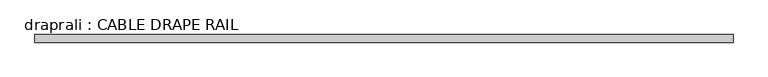
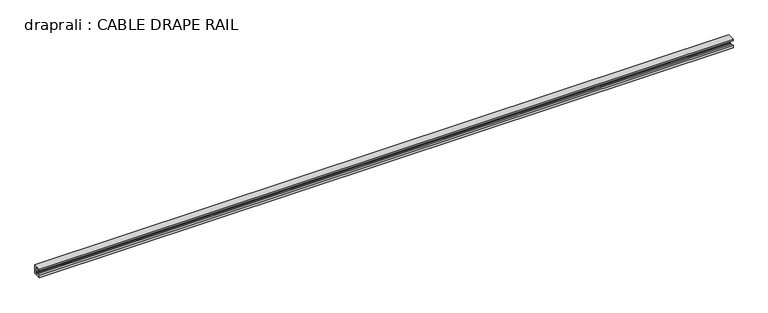
"""IFC4 building model written with IfcOpenShell, lengths in millimetres: proxy geometry, draprali : CABLE DRAPE RAIL."""

from ifc_helpers import new_model, si_unit, frame, origin, place, context, project, spatial, polyline, outline, extrude, source, transform, mapped, element, save


def draprali_cable_drape_rail_d1769d2c(model_context):
    return source(origin(), model_context, "Body", "SweptSolid", [
        extrude(outline(polyline([(-186.2970657, 2743.2), (-186.2970657, 2667.0), (-249.7970657, 2667.0), (-249.7970657, 2689.9004123), (-232.7578554, 2689.9004123), (-232.7578554, 2680.2041551), (-206.050334, 2680.2041551), (-206.050334, 2689.9004123), (-197.2096289, 2689.9004123), (-197.2096289, 2729.5879123), (-249.7970657, 2729.5879123), (-249.7970657, 2743.2), (-186.2970657, 2743.2)])), frame((-313.7987289, 0.0, 0.0), z_axis=(1.0, 0.0, 0.0), x_axis=(0.0, 1.0, 0.0)), (0.0, 0.0, 1.0), 5791.2),
    ])


if __name__ == "__main__":
    model = new_model("IFC4")
    model_context = context("Model", 3, world=origin())
    ifc_project = project(units=[si_unit("LENGTHUNIT", "METRE", prefix="MILLI")], contexts=[model_context])
    site = spatial("IfcSite", under=ifc_project)
    building = spatial("IfcBuilding", under=site)
    placement = place(None, origin())
    draprali_cable_drape_rail_shape = draprali_cable_drape_rail_d1769d2c(model_context)
    element("IfcBuildingElementProxy", 1, Name="draprali : CABLE DRAPE RAIL", ObjectType="draprali : CABLE DRAPE RAIL", at=placement, inside=building, context=model_context, shape_type="MappedRepresentation", body=[
        mapped(draprali_cable_drape_rail_shape, transform((0.0, 0.0, 0.0), x_axis=(1.0, 0.0, 0.0), y_axis=(0.0, 1.0, 0.0), z_axis=(0.0, 0.0, 1.0))),
    ])
    save(model, "model.ifc")
